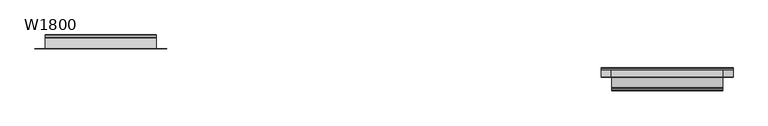
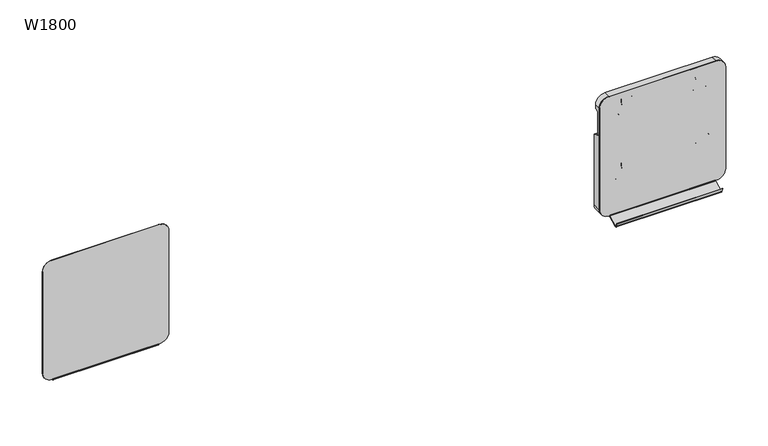
"""IFC4 building model written with IfcOpenShell, lengths in millimetres: furniture geometry, W1800."""

from ifc_helpers import new_model, si_unit, point, frame, frame_2d, origin, place, context, project, spatial, polyline, circle_curve, ellipse_curve, trimmed, segment, composite_curve, outline, extrude, source, transform, mapped, element, save
from ifc_brep_helpers import plane_surface, cylinder_surface, revolved_surface, advanced_brep


def w1800_658f3a6c(model_context):
    return source(origin(), model_context, "Body", "SolidModel", [
        advanced_brep(
        [(584.9999907, -35.7999991, 1156.5000679), (559.9999907, -35.7999991, 1131.5000679), (559.9999907, -35.7999991, 841.5000568), (584.9999907, -35.7999991, 816.5000568), (874.9999977, -35.7999991, 816.5000568), (899.9999977, -35.7999991, 841.5000568), (899.9999977, -35.7999991, 1131.5000679), (874.9999977, -35.7999991, 1156.5000679), (855.499986, -35.7999991, 914.4848873), (853.5151724, -35.7999991, 912.5000737), (806.4517712, -35.7999991, 912.5000737), (804.4999944, -35.7999991, 914.4518505), (804.4999944, -35.7999991, 952.5278915), (806.4721723, -35.7999991, 954.5000694), (818.6999889, -35.7999991, 954.5000694), (818.6999889, -35.7999991, 945.5000954), (820.5106306, -35.7999991, 938.2575281), (821.4807731, -35.7999991, 937.5000637), (838.5192147, -35.7999991, 937.5000637), (839.4893572, -35.7999991, 938.2575281), (841.2999915, -35.7999991, 945.5000656), (841.2999915, -35.7999991, 954.5000694), (853.499986, -35.7999991, 954.5000694), (855.499986, -35.7999991, 952.5000694), (604.4999989, -35.7999991, 914.4848873), (604.4999989, -35.7999991, 952.5000694), (606.4999989, -35.7999991, 954.5000694), (618.6999934, -35.7999991, 954.5000694), (618.6999934, -35.7999991, 945.5000656), (620.5106277, -35.7999991, 938.2575281), (621.4807702, -35.7999991, 937.5000637), (638.5192118, -35.7999991, 937.5000637), (639.4893543, -35.7999991, 938.2575281), (641.299996, -35.7999991, 945.5000954), (641.299996, -35.7999991, 954.5000694), (653.5278126, -35.7999991, 954.5000694), (655.4999905, -35.7999991, 952.5278915), (655.4999905, -35.7999991, 914.4518505), (653.5482137, -35.7999991, 912.5000737), (606.4848126, -35.7999991, 912.5000737), (847.4999922, -35.7999991, 1096.4925965), (845.5074649, -35.7999991, 1094.5000693), (814.4816249, -35.7999991, 1094.5000693), (812.4999957, -35.7999991, 1096.4816985), (812.4999957, -35.7999991, 1134.5000685), (814.4999957, -35.7999991, 1136.5000685), (818.6999889, -35.7999991, 1136.5000685), (818.6999889, -35.7999991, 1127.500092), (820.5106289, -35.7999991, 1120.2575337), (821.4807714, -35.7999991, 1119.5000693), (838.4863369, -35.7999991, 1119.5000693), (839.4973334, -35.7999991, 1120.2894316), (841.2999915, -35.7999991, 1127.5000622), (841.2999915, -35.7999991, 1136.5000685), (845.5314574, -35.7999991, 1136.5000685), (847.4999922, -35.7999991, 1134.5315337), (612.4999858, -35.7999991, 1096.4925965), (612.4999858, -35.7999991, 1134.5315337), (614.4685205, -35.7999991, 1136.5000685), (618.6999864, -35.7999991, 1136.5000685), (618.6999864, -35.7999991, 1127.5000622), (620.5026445, -35.7999991, 1120.2894316), (621.5136411, -35.7999991, 1119.5000693), (638.5192065, -35.7999991, 1119.5000693), (639.489349, -35.7999991, 1120.2575337), (641.299989, -35.7999991, 1127.500092), (641.299989, -35.7999991, 1136.5000685), (645.4999822, -35.7999991, 1136.5000685), (647.4999822, -35.7999991, 1134.5000685), (647.4999822, -35.7999991, 1096.4816985), (645.518353, -35.7999991, 1094.5000693), (614.492513, -35.7999991, 1094.5000693), (899.9999977, -11.9999977, 841.5000568), (874.9999977, -11.9999977, 816.5000568), (584.9999907, -11.9999977, 816.5000568), (559.9999907, -11.9999977, 841.5000568), (559.9999907, -11.9999977, 1042.3574843), (899.9999977, -11.9999977, 1042.3574843), (855.499986, -11.9999977, 914.4848873), (855.499986, -11.9999977, 952.5000694), (853.499986, -11.9999977, 954.5000694), (841.2999915, -11.9999977, 954.5000694), (841.2999915, -11.9999977, 945.5000656), (839.4893572, -11.9999977, 938.2575281), (838.5192147, -11.9999977, 937.5000637), (821.4807731, -11.9999977, 937.5000637), (820.5106306, -11.9999977, 938.2575281), (818.6999889, -11.9999977, 945.5000954), (818.6999889, -11.9999977, 954.5000694), (806.4721723, -11.9999977, 954.5000694), (804.4999944, -11.9999977, 952.5278915), (804.4999944, -11.9999977, 914.4518505), (806.4517712, -11.9999977, 912.5000737), (853.5151724, -11.9999977, 912.5000737), (604.4999989, -11.9999977, 914.4848873), (606.4848126, -11.9999977, 912.5000737), (653.5482137, -11.9999977, 912.5000737), (655.4999905, -11.9999977, 914.4518505), (655.4999905, -11.9999977, 952.5278915), (653.5278126, -11.9999977, 954.5000694), (641.299996, -11.9999977, 954.5000694), (641.299996, -11.9999977, 945.5000954), (639.4893543, -11.9999977, 938.2575281), (638.5192118, -11.9999977, 937.5000637), (621.4807702, -11.9999977, 937.5000637), (620.5106277, -11.9999977, 938.2575281), (618.6999934, -11.9999977, 945.5000656), (618.6999934, -11.9999977, 954.5000694), (606.4999989, -11.9999977, 954.5000694), (604.4999989, -11.9999977, 952.5000694), (584.9999907, -18.8000019, 1156.5000679), (559.9999907, -18.8000019, 1131.5000679), (559.9999907, -18.8000019, 1123.2768315), (559.9999907, -20.7739414, 1120.4577537), (559.9999907, -26.484038, 1118.3794483), (559.9999907, -27.7999977, 1116.5000631), (559.9999907, -27.7999977, 1051.5000735), (559.9999907, -26.4840382, 1049.6206884), (559.9999907, -14.2739371, 1045.1765734), (559.9999907, -12.2999896, 1042.3574843), (899.9999977, -12.2999896, 1042.3574843), (899.9999977, -14.2739371, 1045.1765734), (899.9999977, -26.4840382, 1049.6206884), (899.9999977, -27.7999977, 1051.5000735), (899.9999977, -27.7999977, 1116.5000631), (899.9999977, -26.484038, 1118.3794483), (899.9999977, -20.7739414, 1120.4577537), (899.9999977, -18.8000019, 1123.2768315), (899.9999977, -18.8000019, 1131.5000679), (874.9999977, -18.8000019, 1156.5000679), (847.4999922, -27.7999977, 1096.4925965), (845.5074649, -27.7999977, 1094.5000693), (814.4816249, -27.7999977, 1094.5000693), (812.4999957, -27.7999977, 1096.4816985), (812.4999957, -27.7999977, 1116.5000631), (812.4999957, -26.484038, 1118.3794483), (812.4999957, -20.7739414, 1120.4577537), (812.4999957, -18.8000019, 1123.2768315), (812.4999957, -18.8000019, 1134.5000685), (814.4999957, -18.8000019, 1136.5000685), (818.6999889, -18.8000019, 1136.5000685), (818.6999889, -18.8000019, 1127.500092), (819.7558043, -18.8000019, 1123.2768315), (820.4605739, -20.7739414, 1120.4577537), (820.5106289, -21.3240413, 1120.2575337), (821.4807714, -23.4051573, 1119.5000693), (838.4863369, -23.4051573, 1119.5000693), (839.4973334, -21.2364025, 1120.2894316), (839.539414, -20.7739414, 1120.4577537), (840.2441836, -18.8000019, 1123.2768315), (841.2999915, -18.8000019, 1127.5000622), (841.2999915, -18.8000019, 1136.5000685), (845.5314574, -18.8000019, 1136.5000685), (847.4999922, -18.8000019, 1134.5315337), (847.4999922, -18.8000019, 1123.2768315), (847.4999922, -20.7739414, 1120.4577537), (847.4999922, -26.484038, 1118.3794483), (847.4999922, -27.7999977, 1116.5000631), (612.4999858, -27.7999977, 1096.4925965), (612.4999858, -27.7999977, 1116.5000631), (612.4999858, -26.484038, 1118.3794483), (612.4999858, -20.7739414, 1120.4577537), (612.4999858, -18.8000019, 1123.2768315), (612.4999858, -18.8000019, 1134.5315337), (614.4685205, -18.8000019, 1136.5000685), (618.6999864, -18.8000019, 1136.5000685), (618.6999864, -18.8000019, 1127.5000622), (619.7557943, -18.8000019, 1123.2768315), (620.4605639, -20.7739414, 1120.4577537), (620.5026445, -21.2364025, 1120.2894316), (621.5136411, -23.4051573, 1119.5000693), (638.5192065, -23.4051573, 1119.5000693), (639.489349, -21.3240413, 1120.2575337), (639.539404, -20.7739414, 1120.4577537), (640.2441736, -18.8000019, 1123.2768315), (641.299989, -18.8000019, 1127.500092), (641.299989, -18.8000019, 1136.5000685), (645.4999822, -18.8000019, 1136.5000685), (647.4999822, -18.8000019, 1134.5000685), (647.4999822, -18.8000019, 1123.2768315), (647.4999822, -20.7739414, 1120.4577537), (647.4999822, -26.484038, 1118.3794483), (647.4999822, -27.7999977, 1116.5000631), (647.4999822, -27.7999977, 1096.4816985), (645.518353, -27.7999977, 1094.5000693), (614.492513, -27.7999977, 1094.5000693)],
        [
            (0, 1, circle_curve(frame((584.9999907, -35.7999991, 1131.5000679), z_axis=(0.0, -1.0, 0.0), x_axis=(1.0, 0.0, 0.0)), 25.0)),
            (1, 2),
            (2, 3, circle_curve(frame((584.9999907, -35.7999991, 841.5000568), z_axis=(0.0, -1.0, 0.0), x_axis=(1.0, 0.0, 0.0)), 25.0)),
            (3, 4),
            (4, 5, circle_curve(frame((874.9999977, -35.7999991, 841.5000568), z_axis=(0.0, -1.0, 0.0), x_axis=(1.0, 0.0, 0.0)), 25.0)),
            (5, 6),
            (6, 7, circle_curve(frame((874.9999977, -35.7999991, 1131.5000679), z_axis=(0.0, -1.0, 0.0), x_axis=(1.0, 0.0, 0.0)), 25.0)),
            (7, 0),
            (8, 9, circle_curve(frame((853.5151724, -35.7999991, 914.4848873), z_axis=(0.0, 1.0, 0.0), x_axis=(1.0, 0.0, 0.0)), 1.9848137)),
            (9, 10),
            (10, 11, circle_curve(frame((806.4517712, -35.7999991, 914.4518505), z_axis=(0.0, 1.0, 0.0), x_axis=(1.0, 0.0, 0.0)), 1.9517768)),
            (11, 12),
            (12, 13, circle_curve(frame((806.4721723, -35.7999991, 952.5278915), z_axis=(0.0, 1.0, 0.0), x_axis=(1.0, 0.0, 0.0)), 1.9721779)),
            (13, 14),
            (14, 15),
            (15, 16),
            (16, 17, circle_curve(frame((821.4807731, -35.7999991, 938.5000637), z_axis=(0.0, -1.0, 0.0), x_axis=(1.0, 0.0, 0.0)), 1.0)),
            (17, 18),
            (18, 19, circle_curve(frame((838.5192147, -35.7999991, 938.5000637), z_axis=(0.0, -1.0, 0.0), x_axis=(1.0, 0.0, 0.0)), 1.0)),
            (19, 20),
            (20, 21),
            (21, 22),
            (22, 23, circle_curve(frame((853.499986, -35.7999991, 952.5000694), z_axis=(0.0, 1.0, 0.0), x_axis=(1.0, 0.0, 0.0)), 2.0)),
            (23, 8),
            (24, 25),
            (25, 26, circle_curve(frame((606.4999989, -35.7999991, 952.5000694), z_axis=(0.0, 1.0, 0.0), x_axis=(1.0, 0.0, 0.0)), 2.0)),
            (26, 27),
            (27, 28),
            (28, 29),
            (29, 30, circle_curve(frame((621.4807702, -35.7999991, 938.5000637), z_axis=(0.0, -1.0, 0.0), x_axis=(1.0, 0.0, 0.0)), 1.0)),
            (30, 31),
            (31, 32, circle_curve(frame((638.5192118, -35.7999991, 938.5000637), z_axis=(0.0, -1.0, 0.0), x_axis=(1.0, 0.0, 0.0)), 1.0)),
            (32, 33),
            (33, 34),
            (34, 35),
            (35, 36, circle_curve(frame((653.5278126, -35.7999991, 952.5278915), z_axis=(0.0, 1.0, 0.0), x_axis=(1.0, 0.0, 0.0)), 1.9721779)),
            (36, 37),
            (37, 38, circle_curve(frame((653.5482137, -35.7999991, 914.4518505), z_axis=(0.0, 1.0, 0.0), x_axis=(1.0, 0.0, 0.0)), 1.9517768)),
            (38, 39),
            (39, 24, circle_curve(frame((606.4848126, -35.7999991, 914.4848873), z_axis=(0.0, 1.0, 0.0), x_axis=(1.0, 0.0, 0.0)), 1.9848137)),
            (40, 41, circle_curve(frame((845.5074649, -35.7999991, 1096.4925965), z_axis=(0.0, 1.0, 0.0), x_axis=(1.0, 0.0, 0.0)), 1.9925272)),
            (41, 42),
            (42, 43, circle_curve(frame((814.4816249, -35.7999991, 1096.4816985), z_axis=(0.0, 1.0, 0.0), x_axis=(1.0, 0.0, 0.0)), 1.9816292)),
            (43, 44),
            (44, 45, circle_curve(frame((814.4999957, -35.7999991, 1134.5000685), z_axis=(0.0, 1.0, 0.0), x_axis=(1.0, 0.0, 0.0)), 2.0)),
            (45, 46),
            (46, 47),
            (47, 48),
            (48, 49, circle_curve(frame((821.4807714, -35.7999991, 1120.5000693), z_axis=(0.0, -1.0, 0.0), x_axis=(1.0, 0.0, 0.0)), 1.0)),
            (49, 50),
            (50, 51, circle_curve(frame((838.4863369, -35.7999991, 1120.5421808), z_axis=(0.0, -1.0, 0.0), x_axis=(1.0, 0.0, 0.0)), 1.0421114)),
            (51, 52),
            (52, 53),
            (53, 54),
            (54, 55, circle_curve(frame((845.5314574, -35.7999991, 1134.5315337), z_axis=(0.0, 1.0, 0.0), x_axis=(1.0, 0.0, 0.0)), 1.9685347)),
            (55, 40),
            (56, 57),
            (57, 58, circle_curve(frame((614.4685205, -35.7999991, 1134.5315337), z_axis=(0.0, 1.0, 0.0), x_axis=(1.0, 0.0, 0.0)), 1.9685347)),
            (58, 59),
            (59, 60),
            (60, 61),
            (61, 62, circle_curve(frame((621.5136411, -35.7999991, 1120.5421808), z_axis=(0.0, -1.0, 0.0), x_axis=(1.0, 0.0, 0.0)), 1.0421114)),
            (62, 63),
            (63, 64, circle_curve(frame((638.5192065, -35.7999991, 1120.5000693), z_axis=(0.0, -1.0, 0.0), x_axis=(1.0, 0.0, 0.0)), 1.0)),
            (64, 65),
            (65, 66),
            (66, 67),
            (67, 68, circle_curve(frame((645.4999822, -35.7999991, 1134.5000685), z_axis=(0.0, 1.0, 0.0), x_axis=(1.0, 0.0, 0.0)), 2.0)),
            (68, 69),
            (69, 70, circle_curve(frame((645.518353, -35.7999991, 1096.4816985), z_axis=(0.0, 1.0, 0.0), x_axis=(1.0, 0.0, 0.0)), 1.9816292)),
            (70, 71),
            (71, 56, circle_curve(frame((614.492513, -35.7999991, 1096.4925965), z_axis=(0.0, 1.0, 0.0), x_axis=(1.0, 0.0, 0.0)), 1.9925272)),
            (72, 73, circle_curve(frame((874.9999977, -11.9999977, 841.5000568), z_axis=(0.0, 1.0, 0.0), x_axis=(1.0, 0.0, 0.0)), 25.0)),
            (73, 74),
            (74, 75, circle_curve(frame((584.9999907, -11.9999977, 841.5000568), z_axis=(0.0, 1.0, 0.0), x_axis=(1.0, 0.0, 0.0)), 25.0)),
            (75, 76),
            (76, 77),
            (77, 72),
            (78, 79),
            (79, 80, circle_curve(frame((853.499986, -11.9999977, 952.5000694), z_axis=(0.0, -1.0, 0.0), x_axis=(1.0, 0.0, 0.0)), 2.0)),
            (80, 81),
            (81, 82),
            (82, 83),
            (83, 84, circle_curve(frame((838.5192147, -11.9999977, 938.5000637), z_axis=(0.0, 1.0, 0.0), x_axis=(1.0, 0.0, 0.0)), 1.0)),
            (84, 85),
            (85, 86, circle_curve(frame((821.4807731, -11.9999977, 938.5000637), z_axis=(0.0, 1.0, 0.0), x_axis=(1.0, 0.0, 0.0)), 1.0)),
            (86, 87),
            (87, 88),
            (88, 89),
            (89, 90, circle_curve(frame((806.4721723, -11.9999977, 952.5278915), z_axis=(0.0, -1.0, 0.0), x_axis=(1.0, 0.0, 0.0)), 1.9721779)),
            (90, 91),
            (91, 92, circle_curve(frame((806.4517712, -11.9999977, 914.4518505), z_axis=(0.0, -1.0, 0.0), x_axis=(1.0, 0.0, 0.0)), 1.9517768)),
            (92, 93),
            (93, 78, circle_curve(frame((853.5151724, -11.9999977, 914.4848873), z_axis=(0.0, -1.0, 0.0), x_axis=(1.0, 0.0, 0.0)), 1.9848137)),
            (94, 95, circle_curve(frame((606.4848126, -11.9999977, 914.4848873), z_axis=(0.0, -1.0, 0.0), x_axis=(1.0, 0.0, 0.0)), 1.9848137)),
            (95, 96),
            (96, 97, circle_curve(frame((653.5482137, -11.9999977, 914.4518505), z_axis=(0.0, -1.0, 0.0), x_axis=(1.0, 0.0, 0.0)), 1.9517768)),
            (97, 98),
            (98, 99, circle_curve(frame((653.5278126, -11.9999977, 952.5278915), z_axis=(0.0, -1.0, 0.0), x_axis=(1.0, 0.0, 0.0)), 1.9721779)),
            (99, 100),
            (100, 101),
            (101, 102),
            (102, 103, circle_curve(frame((638.5192118, -11.9999977, 938.5000637), z_axis=(0.0, 1.0, 0.0), x_axis=(1.0, 0.0, 0.0)), 1.0)),
            (103, 104),
            (104, 105, circle_curve(frame((621.4807702, -11.9999977, 938.5000637), z_axis=(0.0, 1.0, 0.0), x_axis=(1.0, 0.0, 0.0)), 1.0)),
            (105, 106),
            (106, 107),
            (107, 108),
            (108, 109, circle_curve(frame((606.4999989, -11.9999977, 952.5000694), z_axis=(0.0, -1.0, 0.0), x_axis=(1.0, 0.0, 0.0)), 2.0)),
            (109, 94),
            (0, 110),
            (110, 111, circle_curve(frame((584.9999907, -18.8000019, 1131.5000679), z_axis=(0.0, -1.0, 0.0), x_axis=(1.0, 0.0, 0.0)), 25.0)),
            (111, 1),
            (111, 112),
            (112, 113, circle_curve(frame((559.9999907, -21.8000019, 1123.2768315), z_axis=(-1.0, 0.0, 0.0), x_axis=(0.0, -1.0, 0.0)), 3.0)),
            (113, 114),
            (114, 115, circle_curve(frame((559.9999907, -25.7999977, 1116.5000631), z_axis=(1.0, 0.0, 0.0), x_axis=(0.0, -1.0, 0.0)), 2.0)),
            (115, 116),
            (116, 117, circle_curve(frame((559.9999907, -25.7999977, 1051.5000735), z_axis=(1.0, 0.0, 0.0), x_axis=(0.0, -1.0, 0.0)), 2.0)),
            (117, 118),
            (118, 119, circle_curve(frame((559.9999907, -15.3000021, 1042.3574839), z_axis=(-1.0, 0.0, 0.0), x_axis=(0.0, -1.0, 0.0)), 3.0000125)),
            (119, 76),
            (75, 2),
            (74, 3),
            (73, 4),
            (72, 5),
            (77, 120),
            (120, 121, circle_curve(frame((899.9999977, -15.3000021, 1042.3574839), z_axis=(1.0, 0.0, 0.0), x_axis=(0.0, -1.0, 0.0)), 3.0000125)),
            (121, 122),
            (122, 123, circle_curve(frame((899.9999977, -25.7999977, 1051.5000735), z_axis=(-1.0, 0.0, 0.0), x_axis=(0.0, -1.0, 0.0)), 2.0)),
            (123, 124),
            (124, 125, circle_curve(frame((899.9999977, -25.7999977, 1116.5000631), z_axis=(-1.0, 0.0, 0.0), x_axis=(0.0, -1.0, 0.0)), 2.0)),
            (125, 126),
            (126, 127, circle_curve(frame((899.9999977, -21.8000019, 1123.2768315), z_axis=(1.0, 0.0, 0.0), x_axis=(0.0, -1.0, 0.0)), 3.0)),
            (127, 128),
            (128, 6),
            (128, 129, circle_curve(frame((874.9999977, -18.8000019, 1131.5000679), z_axis=(0.0, -1.0, 0.0), x_axis=(1.0, 0.0, 0.0)), 25.0)),
            (129, 7),
            (129, 110),
            (8, 78),
            (93, 9),
            (92, 10),
            (91, 11),
            (90, 12),
            (89, 13),
            (88, 14),
            (87, 15),
            (86, 16),
            (85, 17),
            (84, 18),
            (83, 19),
            (82, 20),
            (81, 21),
            (80, 22),
            (79, 23),
            (24, 94),
            (109, 25),
            (108, 26),
            (107, 27),
            (106, 28),
            (105, 29),
            (104, 30),
            (103, 31),
            (102, 32),
            (101, 33),
            (100, 34),
            (99, 35),
            (98, 36),
            (97, 37),
            (96, 38),
            (95, 39),
            (40, 130),
            (130, 131, circle_curve(frame((845.5074649, -27.7999977, 1096.4925965), z_axis=(0.0, 1.0, 0.0), x_axis=(1.0, 0.0, 0.0)), 1.9925272)),
            (131, 41),
            (131, 132),
            (132, 42),
            (132, 133, circle_curve(frame((814.4816249, -27.7999977, 1096.4816985), z_axis=(0.0, 1.0, 0.0), x_axis=(1.0, 0.0, 0.0)), 1.9816292)),
            (133, 43),
            (133, 134),
            (134, 135, circle_curve(frame((812.4999957, -25.7999977, 1116.5000631), z_axis=(-1.0, 0.0, 0.0), x_axis=(0.0, -1.0, 0.0)), 2.0)),
            (135, 136),
            (136, 137, circle_curve(frame((812.4999957, -21.8000019, 1123.2768315), z_axis=(1.0, 0.0, 0.0), x_axis=(0.0, -1.0, 0.0)), 3.0)),
            (137, 138),
            (138, 44),
            (138, 139, circle_curve(frame((814.4999957, -18.8000019, 1134.5000685), z_axis=(0.0, 1.0, 0.0), x_axis=(1.0, 0.0, 0.0)), 2.0)),
            (139, 45),
            (139, 140),
            (140, 46),
            (140, 141),
            (141, 47),
            (141, 142),
            (142, 143, ellipse_curve(frame((819.7558043, -21.8000019, 1123.2768315), z_axis=(-0.9701424866349201, 0.0, -0.2425356790779738), x_axis=(-0.24253567907797385, 0.0, 0.9701424866349201)), 3.0923293, 3.0)),
            (143, 144),
            (144, 48),
            (144, 145, ellipse_curve(frame((821.4807714, -20.6576801, 1120.5000693), z_axis=(0.0, -0.34202016537101126, 0.9396926127620597), x_axis=(0.0, -0.9396926127620595, -0.3420201653710113)), 2.9238042, 1.0)),
            (145, 49),
            (145, 146),
            (146, 50),
            (146, 147, ellipse_curve(frame((838.4863369, -20.5419799, 1120.5421808), z_axis=(0.0, -0.34202016537101126, 0.9396926127620597), x_axis=(0.0, -0.9396926127620595, -0.3420201653710113)), 3.0469298, 1.0421114)),
            (147, 51),
            (147, 148),
            (148, 149, ellipse_curve(frame((840.2441836, -21.8000019, 1123.2768315), z_axis=(0.970142486634925, 0.0, -0.2425356790779543), x_axis=(-0.24253567907795412, 0.0, -0.970142486634925)), 3.0923293, 3.0)),
            (149, 150),
            (150, 52),
            (150, 151),
            (151, 53),
            (151, 152),
            (152, 54),
            (152, 153, circle_curve(frame((845.5314574, -18.8000019, 1134.5315337), z_axis=(0.0, 1.0, 0.0), x_axis=(1.0, 0.0, 0.0)), 1.9685347)),
            (153, 55),
            (153, 154),
            (154, 155, circle_curve(frame((847.4999922, -21.8000019, 1123.2768315), z_axis=(-1.0, 0.0, 0.0), x_axis=(0.0, -1.0, 0.0)), 3.0)),
            (155, 156),
            (156, 157, circle_curve(frame((847.4999922, -25.7999977, 1116.5000631), z_axis=(1.0, 0.0, 0.0), x_axis=(0.0, -1.0, 0.0)), 2.0)),
            (157, 130),
            (56, 158),
            (158, 159),
            (159, 160, circle_curve(frame((612.4999858, -25.7999977, 1116.5000631), z_axis=(-1.0, 0.0, 0.0), x_axis=(0.0, -1.0, 0.0)), 2.0)),
            (160, 161),
            (161, 162, circle_curve(frame((612.4999858, -21.8000019, 1123.2768315), z_axis=(1.0, 0.0, 0.0), x_axis=(0.0, -1.0, 0.0)), 3.0)),
            (162, 163),
            (163, 57),
            (163, 164, circle_curve(frame((614.4685205, -18.8000019, 1134.5315337), z_axis=(0.0, 1.0, 0.0), x_axis=(1.0, 0.0, 0.0)), 1.9685347)),
            (164, 58),
            (164, 165),
            (165, 59),
            (165, 166),
            (166, 60),
            (166, 167),
            (167, 168, ellipse_curve(frame((619.7557943, -21.8000019, 1123.2768315), z_axis=(-0.9701424866349208, 0.0, -0.24253567907797147), x_axis=(-0.2425356790779711, 0.0, 0.9701424866349206)), 3.0923293, 3.0)),
            (168, 169),
            (169, 61),
            (169, 170, ellipse_curve(frame((621.5136411, -20.5419799, 1120.5421808), z_axis=(0.0, -0.34202016537101126, 0.9396926127620597), x_axis=(0.0, -0.9396926127620595, -0.3420201653710113)), 3.0469298, 1.0421114)),
            (170, 62),
            (170, 171),
            (171, 63),
            (171, 172, ellipse_curve(frame((638.5192065, -20.6576801, 1120.5000693), z_axis=(0.0, -0.34202016537101126, 0.9396926127620597), x_axis=(0.0, -0.9396926127620595, -0.3420201653710113)), 2.9238042, 1.0)),
            (172, 64),
            (172, 173),
            (173, 174, ellipse_curve(frame((640.2441736, -21.8000019, 1123.2768315), z_axis=(0.9701424866349201, 0.0, -0.2425356790779738), x_axis=(-0.24253567907797358, 0.0, -0.9701424866349202)), 3.0923293, 3.0)),
            (174, 175),
            (175, 65),
            (175, 176),
            (176, 66),
            (176, 177),
            (177, 67),
            (177, 178, circle_curve(frame((645.4999822, -18.8000019, 1134.5000685), z_axis=(0.0, 1.0, 0.0), x_axis=(1.0, 0.0, 0.0)), 2.0)),
            (178, 68),
            (178, 179),
            (179, 180, circle_curve(frame((647.4999822, -21.8000019, 1123.2768315), z_axis=(-1.0, 0.0, 0.0), x_axis=(0.0, -1.0, 0.0)), 3.0)),
            (180, 181),
            (181, 182, circle_curve(frame((647.4999822, -25.7999977, 1116.5000631), z_axis=(1.0, 0.0, 0.0), x_axis=(0.0, -1.0, 0.0)), 2.0)),
            (182, 183),
            (183, 69),
            (183, 184, circle_curve(frame((645.518353, -27.7999977, 1096.4816985), z_axis=(0.0, 1.0, 0.0), x_axis=(1.0, 0.0, 0.0)), 1.9816292)),
            (184, 70),
            (184, 185),
            (185, 71),
            (185, 158, circle_curve(frame((614.492513, -27.7999977, 1096.4925965), z_axis=(0.0, 1.0, 0.0), x_axis=(1.0, 0.0, 0.0)), 1.9925272)),
            (157, 124),
            (123, 116),
            (115, 159),
            (182, 134),
            (156, 125),
            (114, 160),
            (181, 135),
            (155, 126),
            (113, 161),
            (180, 136),
            (143, 148),
            (168, 173),
            (154, 127),
            (112, 162),
            (179, 137),
            (142, 149),
            (167, 174),
            (119, 120),
            (118, 121),
            (117, 122),
        ],
        [
            plane_surface(frame((609.9999907, -35.7999991, 1131.5000679), z_axis=(0.0, -1.0, 0.0), x_axis=(0.0, 0.0, 1.0))),
            plane_surface(frame((609.9999907, -11.9999977, 1131.5000679), z_axis=(0.0, 1.0, 0.0), x_axis=(0.0, 0.0, -1.0))),
            cylinder_surface(frame((584.9999907, -11.9999977, 1131.5000679), z_axis=(0.0, -1.0, 0.0), x_axis=(1.0, 0.0, 0.0)), 25.0),
            plane_surface(frame((559.9999907, -35.7999991, 1131.5000679), z_axis=(-1.0, 0.0, 0.0), x_axis=(0.0, 1.0, 0.0))),
            cylinder_surface(frame((584.9999907, -11.9999977, 841.5000568), z_axis=(0.0, -1.0, 0.0), x_axis=(1.0, 0.0, 0.0)), 25.0),
            plane_surface(frame((584.9999907, -35.7999991, 816.5000568), z_axis=(0.0, 0.0, -1.0), x_axis=(0.0, 1.0, 0.0))),
            cylinder_surface(frame((874.9999977, -11.9999977, 841.5000568), z_axis=(0.0, -1.0, 0.0), x_axis=(1.0, 0.0, 0.0)), 25.0),
            plane_surface(frame((899.9999977, -35.7999991, 841.5000568), z_axis=(1.0, 0.0, 0.0), x_axis=(0.0, 1.0, 0.0))),
            cylinder_surface(frame((874.9999977, -11.9999977, 1131.5000679), z_axis=(0.0, -1.0, 0.0), x_axis=(1.0, 0.0, 0.0)), 25.0),
            plane_surface(frame((874.9999977, -35.7999991, 1156.5000679), z_axis=(0.0, 0.0, 1.0), x_axis=(0.0, 1.0, 0.0))),
            revolved_surface(polyline([(855.4999861, -11.9999977, 914.4848873), (855.4999861, -35.7999991, 914.4848873)]), (853.5151724, 0.0, 914.4848873), (0.0, 1.0, 0.0)),
            plane_surface(frame((853.5151724, -35.7999991, 912.5000737), z_axis=(0.0, 0.0, 1.0), x_axis=(0.0, 1.0, 0.0))),
            revolved_surface(polyline([(808.403548, -11.9999977, 914.4518505), (808.403548, -35.7999991, 914.4518505)]), (806.4517712, 0.0, 914.4518505), (0.0, 1.0, 0.0)),
            plane_surface(frame((804.4999944, -35.7999991, 914.4518505), z_axis=(1.0, 0.0, 0.0), x_axis=(0.0, 1.0, 0.0))),
            revolved_surface(polyline([(808.4443502, -11.9999977, 952.5278915), (808.4443502, -35.7999991, 952.5278915)]), (806.4721723, 0.0, 952.5278915), (0.0, 1.0, 0.0)),
            plane_surface(frame((806.4721723, -35.7999991, 954.5000694), z_axis=(0.0, 0.0, -1.0), x_axis=(0.0, 1.0, 0.0))),
            plane_surface(frame((818.6999889, -35.7999991, 954.5000694), z_axis=(-1.0, 0.0, 0.0), x_axis=(0.0, 1.0, 0.0))),
            plane_surface(frame((818.6999889, -35.7999991, 945.5000954), z_axis=(-0.970142504503518, 0.0, -0.242535607603588), x_axis=(0.0, 1.0, 0.0))),
            cylinder_surface(frame((821.4807731, 0.0, 938.5000637), z_axis=(0.0, -1.0, 0.0), x_axis=(1.0, 0.0, 0.0)), 1.0),
            plane_surface(frame((821.4807731, -35.7999991, 937.5000637), z_axis=(0.0, 0.0, -1.0), x_axis=(0.0, 1.0, 0.0))),
            cylinder_surface(frame((838.5192147, 0.0, 938.5000637), z_axis=(0.0, -1.0, 0.0), x_axis=(1.0, 0.0, 0.0)), 1.0),
            plane_surface(frame((839.4893572, -35.7999991, 938.2575281), z_axis=(0.9701425006996603, 0.0, -0.24253562281901908), x_axis=(0.0, 1.0, 0.0))),
            plane_surface(frame((841.2999915, -35.7999991, 945.5000656), z_axis=(1.0, 0.0, 0.0), x_axis=(0.0, 1.0, 0.0))),
            plane_surface(frame((841.2999915, -35.7999991, 954.5000694), z_axis=(0.0, 0.0, -1.0), x_axis=(0.0, 1.0, 0.0))),
            revolved_surface(polyline([(855.499986, -11.9999977, 952.5000694), (855.499986, -35.7999991, 952.5000694)]), (853.499986, 0.0, 952.5000694), (0.0, 1.0, 0.0)),
            plane_surface(frame((855.499986, -35.7999991, 952.5000694), z_axis=(-1.0, 0.0, 0.0), x_axis=(0.0, 1.0, 0.0))),
            plane_surface(frame((604.4999989, -35.7999991, 914.4848873), z_axis=(1.0, 0.0, 0.0), x_axis=(0.0, 1.0, 0.0))),
            revolved_surface(polyline([(608.4999989, -11.9999977, 952.5000694), (608.4999989, -35.7999991, 952.5000694)]), (606.4999989, 0.0, 952.5000694), (0.0, 1.0, 0.0)),
            plane_surface(frame((606.4999989, -35.7999991, 954.5000694), z_axis=(0.0, 0.0, -1.0), x_axis=(0.0, 1.0, 0.0))),
            plane_surface(frame((618.6999934, -35.7999991, 954.5000694), z_axis=(-1.0, 0.0, 0.0), x_axis=(0.0, 1.0, 0.0))),
            plane_surface(frame((618.6999934, -35.7999991, 945.5000656), z_axis=(-0.9701425006996593, 0.0, -0.24253562281902338), x_axis=(0.0, 1.0, 0.0))),
            cylinder_surface(frame((621.4807702, 0.0, 938.5000637), z_axis=(0.0, -1.0, 0.0), x_axis=(1.0, 0.0, 0.0)), 1.0),
            plane_surface(frame((621.4807702, -35.7999991, 937.5000637), z_axis=(0.0, 0.0, -1.0), x_axis=(0.0, 1.0, 0.0))),
            cylinder_surface(frame((638.5192118, 0.0, 938.5000637), z_axis=(0.0, -1.0, 0.0), x_axis=(1.0, 0.0, 0.0)), 1.0),
            plane_surface(frame((639.4893543, -35.7999991, 938.2575281), z_axis=(0.970142504503518, 0.0, -0.242535607603588), x_axis=(0.0, 1.0, 0.0))),
            plane_surface(frame((641.299996, -35.7999991, 945.5000954), z_axis=(1.0, 0.0, 0.0), x_axis=(0.0, 1.0, 0.0))),
            plane_surface(frame((641.299996, -35.7999991, 954.5000694), z_axis=(0.0, 0.0, -1.0), x_axis=(0.0, 1.0, 0.0))),
            revolved_surface(polyline([(655.4999905, -11.9999977, 952.5278915), (655.4999905, -35.7999991, 952.5278915)]), (653.5278126, 0.0, 952.5278915), (0.0, 1.0, 0.0)),
            plane_surface(frame((655.4999905, -35.7999991, 952.5278915), z_axis=(-1.0, 0.0, 0.0), x_axis=(0.0, 1.0, 0.0))),
            revolved_surface(polyline([(655.4999905, -11.9999977, 914.4518505), (655.4999905, -35.7999991, 914.4518505)]), (653.5482137, 0.0, 914.4518505), (0.0, 1.0, 0.0)),
            plane_surface(frame((653.5482137, -35.7999991, 912.5000737), z_axis=(0.0, 0.0, 1.0), x_axis=(0.0, 1.0, 0.0))),
            revolved_surface(polyline([(608.4696263000001, -11.9999977, 914.4848873), (608.4696263000001, -35.7999991, 914.4848873)]), (606.4848126, 0.0, 914.4848873), (0.0, 1.0, 0.0)),
            revolved_surface(polyline([(847.4999921, -27.7999977, 1096.4925965), (847.4999921, -35.7999991, 1096.4925965)]), (845.5074649, 0.0, 1096.4925965), (0.0, 1.0, 0.0)),
            plane_surface(frame((845.5074649, -35.7999991, 1094.5000693), z_axis=(0.0, 0.0, 1.0), x_axis=(0.0, 1.0, 0.0))),
            revolved_surface(polyline([(816.4632541000001, -27.7999977, 1096.4816985), (816.4632541000001, -35.7999991, 1096.4816985)]), (814.4816249, 0.0, 1096.4816985), (0.0, 1.0, 0.0)),
            plane_surface(frame((812.4999957, -35.7999991, 1096.4816985), z_axis=(1.0, 0.0, 0.0), x_axis=(0.0, 1.0, 0.0))),
            revolved_surface(polyline([(816.4999957, -18.8000019, 1134.5000685), (816.4999957, -35.7999991, 1134.5000685)]), (814.4999957, 0.0, 1134.5000685), (0.0, 1.0, 0.0)),
            plane_surface(frame((814.4999957, -35.7999991, 1136.5000685), z_axis=(0.0, 0.0, -1.0), x_axis=(0.0, 1.0, 0.0))),
            plane_surface(frame((818.6999889, -35.7999991, 1136.5000685), z_axis=(-1.0, 0.0, 0.0), x_axis=(0.0, 1.0, 0.0))),
            plane_surface(frame((818.6999889, -35.7999991, 1127.500092), z_axis=(-0.9701424866349201, 0.0, -0.2425356790779738), x_axis=(0.0, 1.0, 0.0))),
            cylinder_surface(frame((821.4807714, 0.0, 1120.5000693), z_axis=(0.0, -1.0, 0.0), x_axis=(1.0, 0.0, 0.0)), 1.0),
            plane_surface(frame((821.4807714, -35.7999991, 1119.5000693), z_axis=(0.0, 0.0, -1.0), x_axis=(0.0, 1.0, 0.0))),
            cylinder_surface(frame((838.4863369, 0.0, 1120.5421808), z_axis=(0.0, -1.0, 0.0), x_axis=(1.0, 0.0, 0.0)), 1.0421114),
            plane_surface(frame((839.4973334, -35.7999991, 1120.2894316), z_axis=(0.970142486634925, 0.0, -0.2425356790779543), x_axis=(0.0, 1.0, 0.0))),
            plane_surface(frame((841.2999915, -35.7999991, 1127.5000622), z_axis=(1.0, 0.0, 0.0), x_axis=(0.0, 1.0, 0.0))),
            plane_surface(frame((841.2999915, -35.7999991, 1136.5000685), z_axis=(0.0, 0.0, -1.0), x_axis=(0.0, 1.0, 0.0))),
            revolved_surface(polyline([(847.4999921, -18.8000019, 1134.5315337), (847.4999921, -35.7999991, 1134.5315337)]), (845.5314574, 0.0, 1134.5315337), (0.0, 1.0, 0.0)),
            plane_surface(frame((847.4999922, -35.7999991, 1134.5315337), z_axis=(-1.0, 0.0, 0.0), x_axis=(0.0, 1.0, 0.0))),
            plane_surface(frame((612.4999858, -35.7999991, 1096.4925965), z_axis=(1.0, 0.0, 0.0), x_axis=(0.0, 1.0, 0.0))),
            revolved_surface(polyline([(616.4370551999999, -18.8000019, 1134.5315337), (616.4370551999999, -35.7999991, 1134.5315337)]), (614.4685205, 0.0, 1134.5315337), (0.0, 1.0, 0.0)),
            plane_surface(frame((614.4685205, -35.7999991, 1136.5000685), z_axis=(0.0, 0.0, -1.0), x_axis=(0.0, 1.0, 0.0))),
            plane_surface(frame((618.6999864, -35.7999991, 1136.5000685), z_axis=(-1.0, 0.0, 0.0), x_axis=(0.0, 1.0, 0.0))),
            plane_surface(frame((618.6999864, -35.7999991, 1127.5000622), z_axis=(-0.9701424866349208, 0.0, -0.24253567907797147), x_axis=(0.0, 1.0, 0.0))),
            cylinder_surface(frame((621.5136411, 0.0, 1120.5421808), z_axis=(0.0, -1.0, 0.0), x_axis=(1.0, 0.0, 0.0)), 1.0421114),
            plane_surface(frame((621.5136411, -35.7999991, 1119.5000693), z_axis=(0.0, 0.0, -1.0), x_axis=(0.0, 1.0, 0.0))),
            cylinder_surface(frame((638.5192065, 0.0, 1120.5000693), z_axis=(0.0, -1.0, 0.0), x_axis=(1.0, 0.0, 0.0)), 1.0),
            plane_surface(frame((639.489349, -35.7999991, 1120.2575337), z_axis=(0.9701424866349201, 0.0, -0.2425356790779738), x_axis=(0.0, 1.0, 0.0))),
            plane_surface(frame((641.299989, -35.7999991, 1127.500092), z_axis=(1.0, 0.0, 0.0), x_axis=(0.0, 1.0, 0.0))),
            plane_surface(frame((641.299989, -35.7999991, 1136.5000685), z_axis=(0.0, 0.0, -1.0), x_axis=(0.0, 1.0, 0.0))),
            revolved_surface(polyline([(647.4999822, -18.8000019, 1134.5000685), (647.4999822, -35.7999991, 1134.5000685)]), (645.4999822, 0.0, 1134.5000685), (0.0, 1.0, 0.0)),
            plane_surface(frame((647.4999822, -35.7999991, 1134.5000685), z_axis=(-1.0, 0.0, 0.0), x_axis=(0.0, 1.0, 0.0))),
            revolved_surface(polyline([(647.4999822000001, -27.7999977, 1096.4816985), (647.4999822000001, -35.7999991, 1096.4816985)]), (645.518353, 0.0, 1096.4816985), (0.0, 1.0, 0.0)),
            plane_surface(frame((645.518353, -35.7999991, 1094.5000693), z_axis=(0.0, 0.0, 1.0), x_axis=(0.0, 1.0, 0.0))),
            revolved_surface(polyline([(616.4850402000001, -27.7999977, 1096.4925965), (616.4850402000001, -35.7999991, 1096.4925965)]), (614.492513, 0.0, 1096.4925965), (0.0, 1.0, 0.0)),
            plane_surface(frame((1013.0270621, -27.7999977, 1116.5000631), z_axis=(0.0, 1.0, 0.0), x_axis=(-1.0, 0.0, 0.0))),
            revolved_surface(polyline([(899.9999977, -27.7999977, 1116.5000631), (847.4999922, -27.7999977, 1116.5000631)]), (-38.7041373, -25.7999977, 1116.5000631), (1.0, 0.0, 0.0)),
            revolved_surface(polyline([(612.4999858, -27.7999977, 1116.5000631), (559.9999907, -27.7999977, 1116.5000631)]), (-38.7041373, -25.7999977, 1116.5000631), (1.0, 0.0, 0.0)),
            revolved_surface(polyline([(812.4999957, -27.7999977, 1116.5000631), (647.4999822, -27.7999977, 1116.5000631)]), (-38.7041373, -25.7999977, 1116.5000631), (1.0, 0.0, 0.0)),
            plane_surface(frame((1013.0270621, -20.7739414, 1120.4577537), z_axis=(0.0, 0.34202016537101126, -0.9396926127620597), x_axis=(-1.0, 0.0, 0.0))),
            cylinder_surface(frame((-38.7041373, -21.8000019, 1123.2768315), z_axis=(-1.0, 0.0, 0.0), x_axis=(0.0, -1.0, 0.0)), 3.0),
            plane_surface(frame((1013.0270621, -18.8000019, 1159.7968848), z_axis=(0.0, 1.0, 0.0), x_axis=(-1.0, 0.0, 0.0))),
            plane_surface(frame((1013.0270621, -12.2999896, 1042.3574843), z_axis=(0.0, 0.0, 1.0), x_axis=(-1.0, 0.0, 0.0))),
            cylinder_surface(frame((-38.7041373, -15.3000021, 1042.3574839), z_axis=(-1.0, 0.0, 0.0), x_axis=(0.0, -1.0, 0.0)), 3.0000125),
            plane_surface(frame((1013.0270621, -26.4840382, 1049.6206884), z_axis=(0.0, 0.3420202508899656, 0.9396925816356991), x_axis=(-1.0, 0.0, 0.0))),
            revolved_surface(polyline([(899.9999977, -27.7999977, 1051.5000735), (559.9999907, -27.7999977, 1051.5000735)]), (-38.7041373, -25.7999977, 1051.5000735), (1.0, 0.0, 0.0)),
        ],
        [
            (0, [[1, 2, 3, 4, 5, 6, 7, 8], [9, 10, 11, 12, 13, 14, 15, 16, 17, 18, 19, 20, 21, 22, 23, 24], [25, 26, 27, 28, 29, 30, 31, 32, 33, 34, 35, 36, 37, 38, 39, 40], [41, 42, 43, 44, 45, 46, 47, 48, 49, 50, 51, 52, 53, 54, 55, 56], [57, 58, 59, 60, 61, 62, 63, 64, 65, 66, 67, 68, 69, 70, 71, 72]]),
            (1, [[73, 74, 75, 76, 77, 78], [79, 80, 81, 82, 83, 84, 85, 86, 87, 88, 89, 90, 91, 92, 93, 94], [95, 96, 97, 98, 99, 100, 101, 102, 103, 104, 105, 106, 107, 108, 109, 110]]),
            (2, [[-1, 111, 112, 113]]),
            (3, [[-2, -113, 114, 115, 116, 117, 118, 119, 120, 121, 122, -76, 123]]),
            (4, [[-3, -123, -75, 124]]),
            (5, [[-4, -124, -74, 125]]),
            (6, [[-5, -125, -73, 126]]),
            (7, [[-6, -126, -78, 127, 128, 129, 130, 131, 132, 133, 134, 135, 136]]),
            (8, [[-7, -136, 137, 138]]),
            (9, [[-8, -138, 139, -111]]),
            (10, [[-9, 140, -94, 141]]),
            (11, [[-10, -141, -93, 142]]),
            (12, [[-11, -142, -92, 143]]),
            (13, [[-12, -143, -91, 144]]),
            (14, [[-13, -144, -90, 145]]),
            (15, [[-14, -145, -89, 146]]),
            (16, [[-15, -146, -88, 147]]),
            (17, [[-16, -147, -87, 148]]),
            (18, [[-17, -148, -86, 149]]),
            (19, [[-18, -149, -85, 150]]),
            (20, [[-19, -150, -84, 151]]),
            (21, [[-20, -151, -83, 152]]),
            (22, [[-21, -152, -82, 153]]),
            (23, [[-22, -153, -81, 154]]),
            (24, [[-23, -154, -80, 155]]),
            (25, [[-24, -155, -79, -140]]),
            (26, [[-25, 156, -110, 157]]),
            (27, [[-26, -157, -109, 158]]),
            (28, [[-27, -158, -108, 159]]),
            (29, [[-28, -159, -107, 160]]),
            (30, [[-29, -160, -106, 161]]),
            (31, [[-30, -161, -105, 162]]),
            (32, [[-31, -162, -104, 163]]),
            (33, [[-32, -163, -103, 164]]),
            (34, [[-33, -164, -102, 165]]),
            (35, [[-34, -165, -101, 166]]),
            (36, [[-35, -166, -100, 167]]),
            (37, [[-36, -167, -99, 168]]),
            (38, [[-37, -168, -98, 169]]),
            (39, [[-38, -169, -97, 170]]),
            (40, [[-39, -170, -96, 171]]),
            (41, [[-40, -171, -95, -156]]),
            (42, [[-41, 172, 173, 174]]),
            (43, [[-42, -174, 175, 176]]),
            (44, [[-43, -176, 177, 178]]),
            (45, [[-44, -178, 179, 180, 181, 182, 183, 184]]),
            (46, [[-45, -184, 185, 186]]),
            (47, [[-46, -186, 187, 188]]),
            (48, [[-47, -188, 189, 190]]),
            (49, [[-48, -190, 191, 192, 193, 194]]),
            (50, [[-49, -194, 195, 196]]),
            (51, [[-50, -196, 197, 198]]),
            (52, [[-51, -198, 199, 200]]),
            (53, [[-52, -200, 201, 202, 203, 204]]),
            (54, [[-53, -204, 205, 206]]),
            (55, [[-54, -206, 207, 208]]),
            (56, [[-55, -208, 209, 210]]),
            (57, [[-56, -210, 211, 212, 213, 214, 215, -172]]),
            (58, [[-57, 216, 217, 218, 219, 220, 221, 222]]),
            (59, [[-58, -222, 223, 224]]),
            (60, [[-59, -224, 225, 226]]),
            (61, [[-60, -226, 227, 228]]),
            (62, [[-61, -228, 229, 230, 231, 232]]),
            (63, [[-62, -232, 233, 234]]),
            (64, [[-63, -234, 235, 236]]),
            (65, [[-64, -236, 237, 238]]),
            (66, [[-65, -238, 239, 240, 241, 242]]),
            (67, [[-66, -242, 243, 244]]),
            (68, [[-67, -244, 245, 246]]),
            (69, [[-68, -246, 247, 248]]),
            (70, [[-69, -248, 249, 250, 251, 252, 253, 254]]),
            (71, [[-70, -254, 255, 256]]),
            (72, [[-71, -256, 257, 258]]),
            (73, [[-72, -258, 259, -216]]),
            (74, [[260, -131, 261, -118, 262, -217, -259, -257, -255, -253, 263, -179, -177, -175, -173, -215]]),
            (75, [[-260, -214, 264, -132]]),
            (76, [[-262, -117, 265, -218]]),
            (77, [[-263, -252, 266, -180]]),
            (78, [[-264, -213, 267, -133]]),
            (78, [[-265, -116, 268, -219]]),
            (78, [[-266, -251, 269, -181]]),
            (78, [[270, -201, -199, -197, -195, -193]]),
            (78, [[271, -239, -237, -235, -233, -231]]),
            (79, [[-267, -212, 272, -134]]),
            (79, [[-268, -115, 273, -220]]),
            (79, [[-269, -250, 274, -182]]),
            (79, [[-270, -192, 275, -202]]),
            (79, [[-271, -230, 276, -240]]),
            (80, [[-275, -191, -189, -187, -185, -183, -274, -249, -247, -245, -243, -241, -276, -229, -227, -225, -223, -221, -273, -114, -112, -139, -137, -135, -272, -211, -209, -207, -205, -203]]),
            (81, [[277, -127, -77, -122]]),
            (82, [[-277, -121, 278, -128]]),
            (83, [[-278, -120, 279, -129]]),
            (84, [[-279, -119, -261, -130]]),
        ],
    ),
        extrude(outline(composite_curve([segment(trimmed(circle_curve(frame_2d((-64.6221558, 803.5374128)), 1.0452402), [point((-65.5694651, 803.0956753))], [point((-64.1804182, 802.5901035))], True, "CARTESIAN"), True, "CONTINUOUS"), segment(polyline([(-64.1804182, 802.5901035), (-37.5773807, 814.9953038)]), True, "CONTINUOUS"), segment(trimmed(circle_curve(frame_2d((-37.999999, 815.9016116)), 1.0), [point((-37.5773807, 814.9953038))], [point((-36.999999, 815.9016116))], True, "CARTESIAN"), True, "CONTINUOUS"), segment(polyline([(-36.999999, 815.9016116), (-36.999999, 817.0486512), (-35.7999991, 817.0486512), (-35.7999991, 815.7966458)]), True, "CONTINUOUS"), segment(trimmed(circle_curve(frame_2d((-37.835247, 815.7966458)), 2.0352479), [point((-35.7999991, 815.7966458))], [point((-36.9751141, 813.9520848))], False, "CARTESIAN"), True, "CONTINUOUS"), segment(polyline([(-36.9751141, 813.9520848), (-63.8955264, 801.3988903)]), True, "CONTINUOUS"), segment(trimmed(circle_curve(frame_2d((-64.7407629, 803.2115058)), 2.0), [point((-63.8955264, 801.3988903))], [point((-66.5533785, 802.3662693))], False, "CARTESIAN"), True, "CONTINUOUS"), segment(polyline([(-66.5533785, 802.3662693), (-72.0474289, 814.1482984), (-70.9598699, 814.6554355), (-65.5694651, 803.0956753)]), True, "CONTINUOUS")], self_intersect=False)), frame((586.9999805, 0.0, 0.0), z_axis=(1.0, 0.0, 0.0), x_axis=(0.0, 1.0, 0.0)), (0.0, 0.0, 1.0), 285.7813225),
        extrude(outline(composite_curve([segment(trimmed(circle_curve(frame_2d((1131.5000679, 584.9999907)), 25.0), [point((1156.5000679, 584.9999907))], [point((1131.5000679, 559.9999907))], False, "CARTESIAN"), True, "CONTINUOUS"), segment(polyline([(1131.5000679, 559.9999907), (841.5000568, 559.9999907)]), True, "CONTINUOUS"), segment(trimmed(circle_curve(frame_2d((841.5000568, 584.9999907)), 25.0), [point((841.5000568, 559.9999907))], [point((816.5000568, 584.9999907))], False, "CARTESIAN"), True, "CONTINUOUS"), segment(polyline([(816.5000568, 584.9999907), (816.5000568, 874.9999977)]), True, "CONTINUOUS"), segment(trimmed(circle_curve(frame_2d((841.5000568, 874.9999977)), 25.0), [point((816.5000568, 874.9999977))], [point((841.5000568, 899.9999977))], False, "CARTESIAN"), True, "CONTINUOUS"), segment(polyline([(841.5000568, 899.9999977), (1131.5000679, 899.9999977)]), True, "CONTINUOUS"), segment(trimmed(circle_curve(frame_2d((1131.5000679, 874.9999977)), 25.0), [point((1131.5000679, 899.9999977))], [point((1156.5000679, 874.9999977))], False, "CARTESIAN"), True, "CONTINUOUS"), segment(polyline([(1156.5000679, 874.9999977), (1156.5000679, 584.9999907)]), True, "CONTINUOUS")], self_intersect=False)), frame((0.0, -36.9999979, 0.0), z_axis=(0.0, 1.0, 0.0), x_axis=(0.0, 0.0, 1.0)), (0.0, 0.0, 1.0), 1.1999994),
        extrude(outline(composite_curve([segment(polyline([(65.5694651, 803.0956753), (70.9598699, 814.6554355), (72.0474289, 814.1482984), (66.5533785, 802.3662693)]), True, "CONTINUOUS"), segment(trimmed(circle_curve(frame_2d((64.7407629, 803.2115058)), 2.0), [point((66.5533785, 802.3662693))], [point((63.8955264, 801.3988903))], False, "CARTESIAN"), True, "CONTINUOUS"), segment(polyline([(63.8955264, 801.3988903), (36.9751141, 813.9520848)]), True, "CONTINUOUS"), segment(trimmed(circle_curve(frame_2d((37.835247, 815.7966458)), 2.0352479), [point((36.9751141, 813.9520848))], [point((35.7999991, 815.7966458))], False, "CARTESIAN"), True, "CONTINUOUS"), segment(polyline([(35.7999991, 815.7966458), (35.7999991, 817.0486512), (36.999999, 817.0486512), (36.999999, 815.9016116)]), True, "CONTINUOUS"), segment(trimmed(circle_curve(frame_2d((37.999999, 815.9016116)), 1.0), [point((36.999999, 815.9016116))], [point((37.5773807, 814.9953038))], True, "CARTESIAN"), True, "CONTINUOUS"), segment(polyline([(37.5773807, 814.9953038), (64.1804182, 802.5901035)]), True, "CONTINUOUS"), segment(trimmed(circle_curve(frame_2d((64.6221558, 803.5374128)), 1.0452402), [point((64.1804182, 802.5901035))], [point((65.5694651, 803.0956753))], True, "CARTESIAN"), True, "CONTINUOUS")], self_intersect=False)), frame((-872.8627381, 0.0, 0.0), z_axis=(1.0, 0.0, 0.0), x_axis=(0.0, 1.0, 0.0)), (0.0, 0.0, 1.0), 285.8627477),
        extrude(outline(composite_curve([segment(polyline([(1156.5000679, -585.0000058), (1156.5000679, -875.0000023)]), True, "CONTINUOUS"), segment(trimmed(circle_curve(frame_2d((1131.5000679, -875.0000023)), 25.0), [point((1156.5000679, -875.0000023))], [point((1131.5000679, -900.0000023))], False, "CARTESIAN"), True, "CONTINUOUS"), segment(polyline([(1131.5000679, -900.0000023), (841.5000568, -900.0000023)]), True, "CONTINUOUS"), segment(trimmed(circle_curve(frame_2d((841.5000568, -875.0000023)), 25.0), [point((841.5000568, -900.0000023))], [point((816.5000568, -875.0000023))], False, "CARTESIAN"), True, "CONTINUOUS"), segment(polyline([(816.5000568, -875.0000023), (816.5000568, -585.0000058)]), True, "CONTINUOUS"), segment(trimmed(circle_curve(frame_2d((841.5000568, -585.0000058)), 25.0), [point((816.5000568, -585.0000058))], [point((841.5000568, -560.0000058))], False, "CARTESIAN"), True, "CONTINUOUS"), segment(polyline([(841.5000568, -560.0000058), (1131.5000679, -560.0000058)]), True, "CONTINUOUS"), segment(trimmed(circle_curve(frame_2d((1131.5000679, -585.0000058)), 25.0), [point((1131.5000679, -560.0000058))], [point((1156.5000679, -585.0000058))], False, "CARTESIAN"), True, "CONTINUOUS")], self_intersect=False)), frame((0.0, 35.7999984, 0.0), z_axis=(0.0, 1.0, 0.0), x_axis=(0.0, 0.0, 1.0)), (0.0, 0.0, 1.0), 1.1999994),
    ])


if __name__ == "__main__":
    model = new_model("IFC4")
    model_context = context("Model", 3, world=origin())
    ifc_project = project(units=[si_unit("LENGTHUNIT", "METRE", prefix="MILLI")], contexts=[model_context])
    site = spatial("IfcSite", under=ifc_project)
    building = spatial("IfcBuilding", under=site)
    placement = place(None, origin())
    w1800_shape = w1800_658f3a6c(model_context)
    element("IfcFurniture", 1, ObjectType="W1800", at=placement, inside=building, context=model_context, shape_type="MappedRepresentation", body=[
        mapped(w1800_shape, transform((0.0, 0.0, 0.0), x_axis=(1.0, 0.0, 0.0), y_axis=(0.0, 1.0, 0.0), z_axis=(0.0, 0.0, 1.0))),
    ])
    save(model, "model.ifc")
